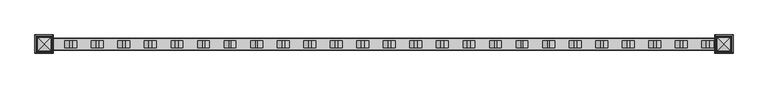
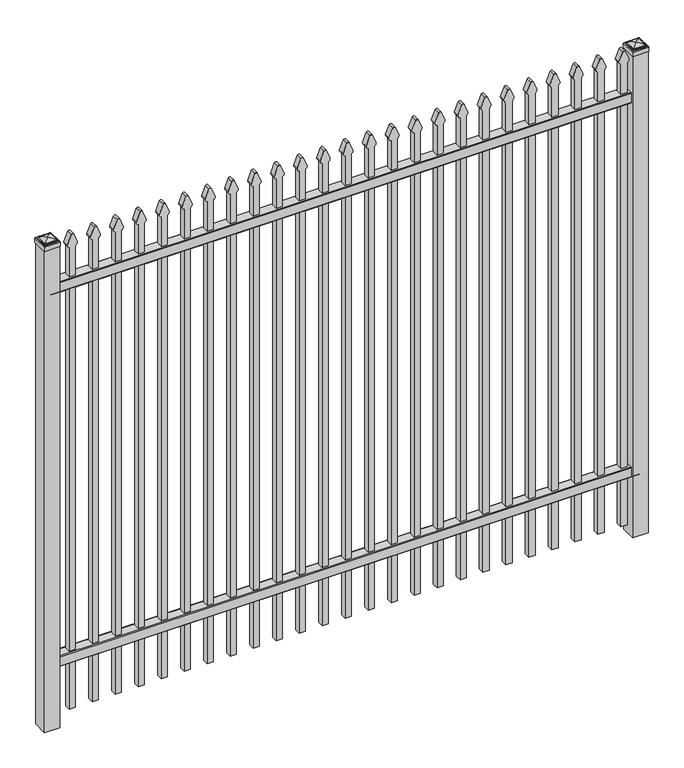
"""IFC4 building model written with IfcOpenShell, lengths in millimetres: railing geometry."""

from ifc_helpers import new_model, si_unit, point, frame, frame_2d, origin, origin_with_axes, place, context, project, spatial, polyline, circle_curve, ellipse_curve, trimmed, segment, composite_curve, outline, extrude, source, transform, mapped, element, save
from ifc_brep_helpers import plane_surface, cylinder_surface, advanced_brep


def railing_8c2183f0(model_context):
    return source(origin(), model_context, "Body", "SolidModel", [
        extrude(outline(composite_curve([segment(polyline([(8825.9139761, 304.8), (8863.969541, 304.8)]), True, "CONTINUOUS"), segment(trimmed(circle_curve(frame_2d((8863.969541, 301.625)), 3.175), [point((8863.969541, 304.8))], [point((8867.144541, 301.625))], False, "CARTESIAN"), True, "CONTINUOUS"), segment(polyline([(8867.144541, 301.625), (8867.144541, 262.1439893)]), True, "CONTINUOUS"), segment(trimmed(circle_curve(frame_2d((8865.3505518, 262.1439893)), 1.7939893), [point((8867.144541, 262.1439893))], [point((8865.3505518, 260.35))], False, "CARTESIAN"), True, "CONTINUOUS"), segment(polyline([(8865.3505518, 260.35), (8862.7590713, 260.35)]), True, "CONTINUOUS"), segment(trimmed(circle_curve(frame_2d((8862.7590713, 262.1359375)), 1.7859375), [point((8862.7590713, 260.35))], [point((8860.9755813, 262.0424688))], False, "CARTESIAN"), True, "CONTINUOUS"), segment(polyline([(8860.9755813, 262.0424688), (8859.4025867, 292.0569942), (8830.4364954, 292.0569942), (8828.8635007, 262.0424688)]), True, "CONTINUOUS"), segment(trimmed(circle_curve(frame_2d((8827.0800108, 262.1359375)), 1.7859375), [point((8828.8635007, 262.0424688))], [point((8827.0800108, 260.35))], False, "CARTESIAN"), True, "CONTINUOUS"), segment(polyline([(8827.0800108, 260.35), (8824.4804785, 260.35)]), True, "CONTINUOUS"), segment(trimmed(circle_curve(frame_2d((8824.4804785, 262.1359375)), 1.7859375), [point((8824.4804785, 260.35))], [point((8822.694541, 262.1359375))], False, "CARTESIAN"), True, "CONTINUOUS"), segment(polyline([(8822.694541, 262.1359375), (8822.694541, 301.5805649)]), True, "CONTINUOUS"), segment(trimmed(circle_curve(frame_2d((8825.9139761, 301.5805649)), 3.2194351), [point((8822.694541, 301.5805649))], [point((8825.9139761, 304.8))], False, "CARTESIAN"), True, "CONTINUOUS")], self_intersect=False)), frame((-33015.4649936, 0.0, 0.0), z_axis=(1.0, 0.0, 0.0), x_axis=(0.0, 1.0, 0.0)), (0.0, 0.0, 1.0), 2438.4),
        extrude(outline(composite_curve([segment(polyline([(8825.9139761, 1944.6875), (8863.969541, 1944.6875)]), True, "CONTINUOUS"), segment(trimmed(circle_curve(frame_2d((8863.969541, 1941.5125)), 3.175), [point((8863.969541, 1944.6875))], [point((8867.144541, 1941.5125))], False, "CARTESIAN"), True, "CONTINUOUS"), segment(polyline([(8867.144541, 1941.5125), (8867.144541, 1902.0314893)]), True, "CONTINUOUS"), segment(trimmed(circle_curve(frame_2d((8865.3505518, 1902.0314893)), 1.7939893), [point((8867.144541, 1902.0314893))], [point((8865.3505518, 1900.2375))], False, "CARTESIAN"), True, "CONTINUOUS"), segment(polyline([(8865.3505518, 1900.2375), (8862.7590713, 1900.2375)]), True, "CONTINUOUS"), segment(trimmed(circle_curve(frame_2d((8862.7590713, 1902.0234375)), 1.7859375), [point((8862.7590713, 1900.2375))], [point((8860.9755813, 1901.9299688))], False, "CARTESIAN"), True, "CONTINUOUS"), segment(polyline([(8860.9755813, 1901.9299688), (8859.4025867, 1931.9444942), (8830.4364954, 1931.9444942), (8828.8635007, 1901.9299688)]), True, "CONTINUOUS"), segment(trimmed(circle_curve(frame_2d((8827.0800108, 1902.0234375)), 1.7859375), [point((8828.8635007, 1901.9299688))], [point((8827.0800108, 1900.2375))], False, "CARTESIAN"), True, "CONTINUOUS"), segment(polyline([(8827.0800108, 1900.2375), (8824.4804785, 1900.2375)]), True, "CONTINUOUS"), segment(trimmed(circle_curve(frame_2d((8824.4804785, 1902.0234375)), 1.7859375), [point((8824.4804785, 1900.2375))], [point((8822.694541, 1902.0234375))], False, "CARTESIAN"), True, "CONTINUOUS"), segment(polyline([(8822.694541, 1902.0234375), (8822.694541, 1941.4680649)]), True, "CONTINUOUS"), segment(trimmed(circle_curve(frame_2d((8825.9139761, 1941.4680649)), 3.2194351), [point((8822.694541, 1941.4680649))], [point((8825.9139761, 1944.6875))], False, "CARTESIAN"), True, "CONTINUOUS")], self_intersect=False)), frame((-33015.4649936, 0.0, 0.0), z_axis=(1.0, 0.0, 0.0), x_axis=(0.0, 1.0, 0.0)), (0.0, 0.0, 1.0), 2438.4),
        extrude(outline(composite_curve([segment(polyline([(2074.2798417, -30646.9149936), (50.8, -30646.9149936), (50.8, -30621.5149936), (2074.0579232, -30621.5149936)]), True, "CONTINUOUS"), segment(trimmed(circle_curve(frame_2d((2092.5299402, -30635.3872336)), 23.1009622), [point((2074.0579232, -30621.5149936))], [point((2087.0676176, -30612.9413545))], False, "CARTESIAN"), True, "CONTINUOUS"), segment(polyline([(2087.0676176, -30612.9413545), (2127.5555225, -30629.2605644)]), True, "CONTINUOUS"), segment(trimmed(circle_curve(frame_2d((2124.4045804, -30634.3905764)), 6.0204202), [point((2127.5555225, -30629.2605644))], [point((2127.5555225, -30639.5205884))], False, "CARTESIAN"), True, "CONTINUOUS"), segment(polyline([(2127.5555225, -30639.5205884), (2088.3339948, -30655.4687724)]), True, "CONTINUOUS"), segment(trimmed(circle_curve(frame_2d((2092.5299402, -30632.7520716)), 23.1009622), [point((2088.3339948, -30655.4687724))], [point((2074.2798417, -30646.9149936))], False, "CARTESIAN"), True, "CONTINUOUS")], self_intersect=False)), frame((0.0, 8832.219541, 0.0), z_axis=(0.0, 1.0, 0.0), x_axis=(0.0, 0.0, 1.0)), (0.0, 0.0, 1.0), 25.4),
        extrude(outline(composite_curve([segment(polyline([(2074.2798417, -30742.1649936), (50.8, -30742.1649936), (50.8, -30716.7649936), (2074.0579232, -30716.7649936)]), True, "CONTINUOUS"), segment(trimmed(circle_curve(frame_2d((2092.5299402, -30730.6372336)), 23.1009622), [point((2074.0579232, -30716.7649936))], [point((2087.0676176, -30708.1913545))], False, "CARTESIAN"), True, "CONTINUOUS"), segment(polyline([(2087.0676176, -30708.1913545), (2127.5555225, -30724.5105644)]), True, "CONTINUOUS"), segment(trimmed(circle_curve(frame_2d((2124.4045804, -30729.6405764)), 6.0204202), [point((2127.5555225, -30724.5105644))], [point((2127.5555225, -30734.7705884))], False, "CARTESIAN"), True, "CONTINUOUS"), segment(polyline([(2127.5555225, -30734.7705884), (2088.3339948, -30750.7187724)]), True, "CONTINUOUS"), segment(trimmed(circle_curve(frame_2d((2092.5299402, -30728.0020716)), 23.1009622), [point((2088.3339948, -30750.7187724))], [point((2074.2798417, -30742.1649936))], False, "CARTESIAN"), True, "CONTINUOUS")], self_intersect=False)), frame((0.0, 8832.219541, 0.0), z_axis=(0.0, 1.0, 0.0), x_axis=(0.0, 0.0, 1.0)), (0.0, 0.0, 1.0), 25.4),
        extrude(outline(composite_curve([segment(polyline([(2074.2798417, -30837.4149936), (50.8, -30837.4149936), (50.8, -30812.0149936), (2074.0579232, -30812.0149936)]), True, "CONTINUOUS"), segment(trimmed(circle_curve(frame_2d((2092.5299402, -30825.8872336)), 23.1009622), [point((2074.0579232, -30812.0149936))], [point((2087.0676176, -30803.4413545))], False, "CARTESIAN"), True, "CONTINUOUS"), segment(polyline([(2087.0676176, -30803.4413545), (2127.5555225, -30819.7605644)]), True, "CONTINUOUS"), segment(trimmed(circle_curve(frame_2d((2124.4045804, -30824.8905764)), 6.0204202), [point((2127.5555225, -30819.7605644))], [point((2127.5555225, -30830.0205884))], False, "CARTESIAN"), True, "CONTINUOUS"), segment(polyline([(2127.5555225, -30830.0205884), (2088.3339948, -30845.9687724)]), True, "CONTINUOUS"), segment(trimmed(circle_curve(frame_2d((2092.5299402, -30823.2520716)), 23.1009622), [point((2088.3339948, -30845.9687724))], [point((2074.2798417, -30837.4149936))], False, "CARTESIAN"), True, "CONTINUOUS")], self_intersect=False)), frame((0.0, 8832.219541, 0.0), z_axis=(0.0, 1.0, 0.0), x_axis=(0.0, 0.0, 1.0)), (0.0, 0.0, 1.0), 25.4),
        extrude(outline(composite_curve([segment(polyline([(2074.2798417, -30932.6649936), (50.8, -30932.6649936), (50.8, -30907.2649936), (2074.0579232, -30907.2649936)]), True, "CONTINUOUS"), segment(trimmed(circle_curve(frame_2d((2092.5299402, -30921.1372336)), 23.1009622), [point((2074.0579232, -30907.2649936))], [point((2087.0676176, -30898.6913545))], False, "CARTESIAN"), True, "CONTINUOUS"), segment(polyline([(2087.0676176, -30898.6913545), (2127.5555225, -30915.0105644)]), True, "CONTINUOUS"), segment(trimmed(circle_curve(frame_2d((2124.4045804, -30920.1405764)), 6.0204202), [point((2127.5555225, -30915.0105644))], [point((2127.5555225, -30925.2705884))], False, "CARTESIAN"), True, "CONTINUOUS"), segment(polyline([(2127.5555225, -30925.2705884), (2088.3339948, -30941.2187724)]), True, "CONTINUOUS"), segment(trimmed(circle_curve(frame_2d((2092.5299402, -30918.5020716)), 23.1009622), [point((2088.3339948, -30941.2187724))], [point((2074.2798417, -30932.6649936))], False, "CARTESIAN"), True, "CONTINUOUS")], self_intersect=False)), frame((0.0, 8832.219541, 0.0), z_axis=(0.0, 1.0, 0.0), x_axis=(0.0, 0.0, 1.0)), (0.0, 0.0, 1.0), 25.4),
        extrude(outline(composite_curve([segment(polyline([(2074.2798417, -31027.9149936), (50.8, -31027.9149936), (50.8, -31002.5149936), (2074.0579232, -31002.5149936)]), True, "CONTINUOUS"), segment(trimmed(circle_curve(frame_2d((2092.5299402, -31016.3872336)), 23.1009622), [point((2074.0579232, -31002.5149936))], [point((2087.0676176, -30993.9413545))], False, "CARTESIAN"), True, "CONTINUOUS"), segment(polyline([(2087.0676176, -30993.9413545), (2127.5555225, -31010.2605644)]), True, "CONTINUOUS"), segment(trimmed(circle_curve(frame_2d((2124.4045804, -31015.3905764)), 6.0204202), [point((2127.5555225, -31010.2605644))], [point((2127.5555225, -31020.5205884))], False, "CARTESIAN"), True, "CONTINUOUS"), segment(polyline([(2127.5555225, -31020.5205884), (2088.3339948, -31036.4687724)]), True, "CONTINUOUS"), segment(trimmed(circle_curve(frame_2d((2092.5299402, -31013.7520716)), 23.1009622), [point((2088.3339948, -31036.4687724))], [point((2074.2798417, -31027.9149936))], False, "CARTESIAN"), True, "CONTINUOUS")], self_intersect=False)), frame((0.0, 8832.219541, 0.0), z_axis=(0.0, 1.0, 0.0), x_axis=(0.0, 0.0, 1.0)), (0.0, 0.0, 1.0), 25.4),
        extrude(outline(composite_curve([segment(polyline([(2074.2798417, -31123.1649936), (50.8, -31123.1649936), (50.8, -31097.7649936), (2074.0579232, -31097.7649936)]), True, "CONTINUOUS"), segment(trimmed(circle_curve(frame_2d((2092.5299402, -31111.6372336)), 23.1009622), [point((2074.0579232, -31097.7649936))], [point((2087.0676176, -31089.1913545))], False, "CARTESIAN"), True, "CONTINUOUS"), segment(polyline([(2087.0676176, -31089.1913545), (2127.5555225, -31105.5105644)]), True, "CONTINUOUS"), segment(trimmed(circle_curve(frame_2d((2124.4045804, -31110.6405764)), 6.0204202), [point((2127.5555225, -31105.5105644))], [point((2127.5555225, -31115.7705884))], False, "CARTESIAN"), True, "CONTINUOUS"), segment(polyline([(2127.5555225, -31115.7705884), (2088.3339948, -31131.7187724)]), True, "CONTINUOUS"), segment(trimmed(circle_curve(frame_2d((2092.5299402, -31109.0020716)), 23.1009622), [point((2088.3339948, -31131.7187724))], [point((2074.2798417, -31123.1649936))], False, "CARTESIAN"), True, "CONTINUOUS")], self_intersect=False)), frame((0.0, 8832.219541, 0.0), z_axis=(0.0, 1.0, 0.0), x_axis=(0.0, 0.0, 1.0)), (0.0, 0.0, 1.0), 25.4),
        extrude(outline(composite_curve([segment(polyline([(2074.2798417, -31218.4149936), (50.8, -31218.4149936), (50.8, -31193.0149936), (2074.0579232, -31193.0149936)]), True, "CONTINUOUS"), segment(trimmed(circle_curve(frame_2d((2092.5299402, -31206.8872336)), 23.1009622), [point((2074.0579232, -31193.0149936))], [point((2087.0676176, -31184.4413545))], False, "CARTESIAN"), True, "CONTINUOUS"), segment(polyline([(2087.0676176, -31184.4413545), (2127.5555225, -31200.7605644)]), True, "CONTINUOUS"), segment(trimmed(circle_curve(frame_2d((2124.4045804, -31205.8905764)), 6.0204202), [point((2127.5555225, -31200.7605644))], [point((2127.5555225, -31211.0205884))], False, "CARTESIAN"), True, "CONTINUOUS"), segment(polyline([(2127.5555225, -31211.0205884), (2088.3339948, -31226.9687724)]), True, "CONTINUOUS"), segment(trimmed(circle_curve(frame_2d((2092.5299402, -31204.2520716)), 23.1009622), [point((2088.3339948, -31226.9687724))], [point((2074.2798417, -31218.4149936))], False, "CARTESIAN"), True, "CONTINUOUS")], self_intersect=False)), frame((0.0, 8832.219541, 0.0), z_axis=(0.0, 1.0, 0.0), x_axis=(0.0, 0.0, 1.0)), (0.0, 0.0, 1.0), 25.4),
        extrude(outline(composite_curve([segment(polyline([(2074.2798417, -31313.6649936), (50.8, -31313.6649936), (50.8, -31288.2649936), (2074.0579232, -31288.2649936)]), True, "CONTINUOUS"), segment(trimmed(circle_curve(frame_2d((2092.5299402, -31302.1372336)), 23.1009622), [point((2074.0579232, -31288.2649936))], [point((2087.0676176, -31279.6913545))], False, "CARTESIAN"), True, "CONTINUOUS"), segment(polyline([(2087.0676176, -31279.6913545), (2127.5555225, -31296.0105644)]), True, "CONTINUOUS"), segment(trimmed(circle_curve(frame_2d((2124.4045804, -31301.1405764)), 6.0204202), [point((2127.5555225, -31296.0105644))], [point((2127.5555225, -31306.2705884))], False, "CARTESIAN"), True, "CONTINUOUS"), segment(polyline([(2127.5555225, -31306.2705884), (2088.3339948, -31322.2187724)]), True, "CONTINUOUS"), segment(trimmed(circle_curve(frame_2d((2092.5299402, -31299.5020716)), 23.1009622), [point((2088.3339948, -31322.2187724))], [point((2074.2798417, -31313.6649936))], False, "CARTESIAN"), True, "CONTINUOUS")], self_intersect=False)), frame((0.0, 8832.219541, 0.0), z_axis=(0.0, 1.0, 0.0), x_axis=(0.0, 0.0, 1.0)), (0.0, 0.0, 1.0), 25.4),
        extrude(outline(composite_curve([segment(polyline([(2074.2798417, -31408.9149936), (50.8, -31408.9149936), (50.8, -31383.5149936), (2074.0579232, -31383.5149936)]), True, "CONTINUOUS"), segment(trimmed(circle_curve(frame_2d((2092.5299402, -31397.3872336)), 23.1009622), [point((2074.0579232, -31383.5149936))], [point((2087.0676176, -31374.9413545))], False, "CARTESIAN"), True, "CONTINUOUS"), segment(polyline([(2087.0676176, -31374.9413545), (2127.5555225, -31391.2605644)]), True, "CONTINUOUS"), segment(trimmed(circle_curve(frame_2d((2124.4045804, -31396.3905764)), 6.0204202), [point((2127.5555225, -31391.2605644))], [point((2127.5555225, -31401.5205884))], False, "CARTESIAN"), True, "CONTINUOUS"), segment(polyline([(2127.5555225, -31401.5205884), (2088.3339948, -31417.4687724)]), True, "CONTINUOUS"), segment(trimmed(circle_curve(frame_2d((2092.5299402, -31394.7520716)), 23.1009622), [point((2088.3339948, -31417.4687724))], [point((2074.2798417, -31408.9149936))], False, "CARTESIAN"), True, "CONTINUOUS")], self_intersect=False)), frame((0.0, 8832.219541, 0.0), z_axis=(0.0, 1.0, 0.0), x_axis=(0.0, 0.0, 1.0)), (0.0, 0.0, 1.0), 25.4),
        extrude(outline(composite_curve([segment(polyline([(2074.2798417, -31504.1649936), (50.8, -31504.1649936), (50.8, -31478.7649936), (2074.0579232, -31478.7649936)]), True, "CONTINUOUS"), segment(trimmed(circle_curve(frame_2d((2092.5299402, -31492.6372336)), 23.1009622), [point((2074.0579232, -31478.7649936))], [point((2087.0676176, -31470.1913545))], False, "CARTESIAN"), True, "CONTINUOUS"), segment(polyline([(2087.0676176, -31470.1913545), (2127.5555225, -31486.5105644)]), True, "CONTINUOUS"), segment(trimmed(circle_curve(frame_2d((2124.4045804, -31491.6405764)), 6.0204202), [point((2127.5555225, -31486.5105644))], [point((2127.5555225, -31496.7705884))], False, "CARTESIAN"), True, "CONTINUOUS"), segment(polyline([(2127.5555225, -31496.7705884), (2088.3339948, -31512.7187724)]), True, "CONTINUOUS"), segment(trimmed(circle_curve(frame_2d((2092.5299402, -31490.0020716)), 23.1009622), [point((2088.3339948, -31512.7187724))], [point((2074.2798417, -31504.1649936))], False, "CARTESIAN"), True, "CONTINUOUS")], self_intersect=False)), frame((0.0, 8832.219541, 0.0), z_axis=(0.0, 1.0, 0.0), x_axis=(0.0, 0.0, 1.0)), (0.0, 0.0, 1.0), 25.4),
        extrude(outline(composite_curve([segment(polyline([(2074.2798417, -31599.4149936), (50.8, -31599.4149936), (50.8, -31574.0149936), (2074.0579232, -31574.0149936)]), True, "CONTINUOUS"), segment(trimmed(circle_curve(frame_2d((2092.5299402, -31587.8872336)), 23.1009622), [point((2074.0579232, -31574.0149936))], [point((2087.0676176, -31565.4413545))], False, "CARTESIAN"), True, "CONTINUOUS"), segment(polyline([(2087.0676176, -31565.4413545), (2127.5555225, -31581.7605644)]), True, "CONTINUOUS"), segment(trimmed(circle_curve(frame_2d((2124.4045804, -31586.8905764)), 6.0204202), [point((2127.5555225, -31581.7605644))], [point((2127.5555225, -31592.0205884))], False, "CARTESIAN"), True, "CONTINUOUS"), segment(polyline([(2127.5555225, -31592.0205884), (2088.3339948, -31607.9687724)]), True, "CONTINUOUS"), segment(trimmed(circle_curve(frame_2d((2092.5299402, -31585.2520716)), 23.1009622), [point((2088.3339948, -31607.9687724))], [point((2074.2798417, -31599.4149936))], False, "CARTESIAN"), True, "CONTINUOUS")], self_intersect=False)), frame((0.0, 8832.219541, 0.0), z_axis=(0.0, 1.0, 0.0), x_axis=(0.0, 0.0, 1.0)), (0.0, 0.0, 1.0), 25.4),
        extrude(outline(composite_curve([segment(polyline([(2074.2798417, -31694.6649936), (50.8, -31694.6649936), (50.8, -31669.2649936), (2074.0579232, -31669.2649936)]), True, "CONTINUOUS"), segment(trimmed(circle_curve(frame_2d((2092.5299402, -31683.1372336)), 23.1009622), [point((2074.0579232, -31669.2649936))], [point((2087.0676176, -31660.6913545))], False, "CARTESIAN"), True, "CONTINUOUS"), segment(polyline([(2087.0676176, -31660.6913545), (2127.5555225, -31677.0105644)]), True, "CONTINUOUS"), segment(trimmed(circle_curve(frame_2d((2124.4045804, -31682.1405764)), 6.0204202), [point((2127.5555225, -31677.0105644))], [point((2127.5555225, -31687.2705884))], False, "CARTESIAN"), True, "CONTINUOUS"), segment(polyline([(2127.5555225, -31687.2705884), (2088.3339948, -31703.2187724)]), True, "CONTINUOUS"), segment(trimmed(circle_curve(frame_2d((2092.5299402, -31680.5020716)), 23.1009622), [point((2088.3339948, -31703.2187724))], [point((2074.2798417, -31694.6649936))], False, "CARTESIAN"), True, "CONTINUOUS")], self_intersect=False)), frame((0.0, 8832.219541, 0.0), z_axis=(0.0, 1.0, 0.0), x_axis=(0.0, 0.0, 1.0)), (0.0, 0.0, 1.0), 25.4),
        extrude(outline(composite_curve([segment(polyline([(2074.2798417, -31789.9149936), (50.8, -31789.9149936), (50.8, -31764.5149936), (2074.0579232, -31764.5149936)]), True, "CONTINUOUS"), segment(trimmed(circle_curve(frame_2d((2092.5299402, -31778.3872336)), 23.1009622), [point((2074.0579232, -31764.5149936))], [point((2087.0676176, -31755.9413545))], False, "CARTESIAN"), True, "CONTINUOUS"), segment(polyline([(2087.0676176, -31755.9413545), (2127.5555225, -31772.2605644)]), True, "CONTINUOUS"), segment(trimmed(circle_curve(frame_2d((2124.4045804, -31777.3905764)), 6.0204202), [point((2127.5555225, -31772.2605644))], [point((2127.5555225, -31782.5205884))], False, "CARTESIAN"), True, "CONTINUOUS"), segment(polyline([(2127.5555225, -31782.5205884), (2088.3339948, -31798.4687724)]), True, "CONTINUOUS"), segment(trimmed(circle_curve(frame_2d((2092.5299402, -31775.7520716)), 23.1009622), [point((2088.3339948, -31798.4687724))], [point((2074.2798417, -31789.9149936))], False, "CARTESIAN"), True, "CONTINUOUS")], self_intersect=False)), frame((0.0, 8832.219541, 0.0), z_axis=(0.0, 1.0, 0.0), x_axis=(0.0, 0.0, 1.0)), (0.0, 0.0, 1.0), 25.4),
        extrude(outline(composite_curve([segment(polyline([(2074.2798417, -31885.1649936), (50.8, -31885.1649936), (50.8, -31859.7649936), (2074.0579232, -31859.7649936)]), True, "CONTINUOUS"), segment(trimmed(circle_curve(frame_2d((2092.5299402, -31873.6372336)), 23.1009622), [point((2074.0579232, -31859.7649936))], [point((2087.0676176, -31851.1913545))], False, "CARTESIAN"), True, "CONTINUOUS"), segment(polyline([(2087.0676176, -31851.1913545), (2127.5555225, -31867.5105644)]), True, "CONTINUOUS"), segment(trimmed(circle_curve(frame_2d((2124.4045804, -31872.6405764)), 6.0204202), [point((2127.5555225, -31867.5105644))], [point((2127.5555225, -31877.7705884))], False, "CARTESIAN"), True, "CONTINUOUS"), segment(polyline([(2127.5555225, -31877.7705884), (2088.3339948, -31893.7187724)]), True, "CONTINUOUS"), segment(trimmed(circle_curve(frame_2d((2092.5299402, -31871.0020716)), 23.1009622), [point((2088.3339948, -31893.7187724))], [point((2074.2798417, -31885.1649936))], False, "CARTESIAN"), True, "CONTINUOUS")], self_intersect=False)), frame((0.0, 8832.219541, 0.0), z_axis=(0.0, 1.0, 0.0), x_axis=(0.0, 0.0, 1.0)), (0.0, 0.0, 1.0), 25.4),
        extrude(outline(composite_curve([segment(polyline([(2074.2798417, -31980.4149936), (50.8, -31980.4149936), (50.8, -31955.0149936), (2074.0579232, -31955.0149936)]), True, "CONTINUOUS"), segment(trimmed(circle_curve(frame_2d((2092.5299402, -31968.8872336)), 23.1009622), [point((2074.0579232, -31955.0149936))], [point((2087.0676176, -31946.4413545))], False, "CARTESIAN"), True, "CONTINUOUS"), segment(polyline([(2087.0676176, -31946.4413545), (2127.5555225, -31962.7605644)]), True, "CONTINUOUS"), segment(trimmed(circle_curve(frame_2d((2124.4045804, -31967.8905764)), 6.0204202), [point((2127.5555225, -31962.7605644))], [point((2127.5555225, -31973.0205884))], False, "CARTESIAN"), True, "CONTINUOUS"), segment(polyline([(2127.5555225, -31973.0205884), (2088.3339948, -31988.9687724)]), True, "CONTINUOUS"), segment(trimmed(circle_curve(frame_2d((2092.5299402, -31966.2520716)), 23.1009622), [point((2088.3339948, -31988.9687724))], [point((2074.2798417, -31980.4149936))], False, "CARTESIAN"), True, "CONTINUOUS")], self_intersect=False)), frame((0.0, 8832.219541, 0.0), z_axis=(0.0, 1.0, 0.0), x_axis=(0.0, 0.0, 1.0)), (0.0, 0.0, 1.0), 25.4),
        extrude(outline(composite_curve([segment(polyline([(2074.2798417, -32075.6649936), (50.8, -32075.6649936), (50.8, -32050.2649936), (2074.0579232, -32050.2649936)]), True, "CONTINUOUS"), segment(trimmed(circle_curve(frame_2d((2092.5299402, -32064.1372336)), 23.1009622), [point((2074.0579232, -32050.2649936))], [point((2087.0676176, -32041.6913545))], False, "CARTESIAN"), True, "CONTINUOUS"), segment(polyline([(2087.0676176, -32041.6913545), (2127.5555225, -32058.0105644)]), True, "CONTINUOUS"), segment(trimmed(circle_curve(frame_2d((2124.4045804, -32063.1405764)), 6.0204202), [point((2127.5555225, -32058.0105644))], [point((2127.5555225, -32068.2705884))], False, "CARTESIAN"), True, "CONTINUOUS"), segment(polyline([(2127.5555225, -32068.2705884), (2088.3339948, -32084.2187724)]), True, "CONTINUOUS"), segment(trimmed(circle_curve(frame_2d((2092.5299402, -32061.5020716)), 23.1009622), [point((2088.3339948, -32084.2187724))], [point((2074.2798417, -32075.6649936))], False, "CARTESIAN"), True, "CONTINUOUS")], self_intersect=False)), frame((0.0, 8832.219541, 0.0), z_axis=(0.0, 1.0, 0.0), x_axis=(0.0, 0.0, 1.0)), (0.0, 0.0, 1.0), 25.4),
        extrude(outline(composite_curve([segment(polyline([(2074.2798417, -32170.9149936), (50.8, -32170.9149936), (50.8, -32145.5149936), (2074.0579232, -32145.5149936)]), True, "CONTINUOUS"), segment(trimmed(circle_curve(frame_2d((2092.5299402, -32159.3872336)), 23.1009622), [point((2074.0579232, -32145.5149936))], [point((2087.0676176, -32136.9413545))], False, "CARTESIAN"), True, "CONTINUOUS"), segment(polyline([(2087.0676176, -32136.9413545), (2127.5555225, -32153.2605644)]), True, "CONTINUOUS"), segment(trimmed(circle_curve(frame_2d((2124.4045804, -32158.3905764)), 6.0204202), [point((2127.5555225, -32153.2605644))], [point((2127.5555225, -32163.5205884))], False, "CARTESIAN"), True, "CONTINUOUS"), segment(polyline([(2127.5555225, -32163.5205884), (2088.3339948, -32179.4687724)]), True, "CONTINUOUS"), segment(trimmed(circle_curve(frame_2d((2092.5299402, -32156.7520716)), 23.1009622), [point((2088.3339948, -32179.4687724))], [point((2074.2798417, -32170.9149936))], False, "CARTESIAN"), True, "CONTINUOUS")], self_intersect=False)), frame((0.0, 8832.219541, 0.0), z_axis=(0.0, 1.0, 0.0), x_axis=(0.0, 0.0, 1.0)), (0.0, 0.0, 1.0), 25.4),
        extrude(outline(composite_curve([segment(polyline([(2074.2798417, -32266.1649936), (50.8, -32266.1649936), (50.8, -32240.7649936), (2074.0579232, -32240.7649936)]), True, "CONTINUOUS"), segment(trimmed(circle_curve(frame_2d((2092.5299402, -32254.6372336)), 23.1009622), [point((2074.0579232, -32240.7649936))], [point((2087.0676176, -32232.1913545))], False, "CARTESIAN"), True, "CONTINUOUS"), segment(polyline([(2087.0676176, -32232.1913545), (2127.5555225, -32248.5105644)]), True, "CONTINUOUS"), segment(trimmed(circle_curve(frame_2d((2124.4045804, -32253.6405764)), 6.0204202), [point((2127.5555225, -32248.5105644))], [point((2127.5555225, -32258.7705884))], False, "CARTESIAN"), True, "CONTINUOUS"), segment(polyline([(2127.5555225, -32258.7705884), (2088.3339948, -32274.7187724)]), True, "CONTINUOUS"), segment(trimmed(circle_curve(frame_2d((2092.5299402, -32252.0020716)), 23.1009622), [point((2088.3339948, -32274.7187724))], [point((2074.2798417, -32266.1649936))], False, "CARTESIAN"), True, "CONTINUOUS")], self_intersect=False)), frame((0.0, 8832.219541, 0.0), z_axis=(0.0, 1.0, 0.0), x_axis=(0.0, 0.0, 1.0)), (0.0, 0.0, 1.0), 25.4),
        extrude(outline(composite_curve([segment(polyline([(2074.2798417, -32361.4149936), (50.8, -32361.4149936), (50.8, -32336.0149936), (2074.0579232, -32336.0149936)]), True, "CONTINUOUS"), segment(trimmed(circle_curve(frame_2d((2092.5299402, -32349.8872336)), 23.1009622), [point((2074.0579232, -32336.0149936))], [point((2087.0676176, -32327.4413545))], False, "CARTESIAN"), True, "CONTINUOUS"), segment(polyline([(2087.0676176, -32327.4413545), (2127.5555225, -32343.7605644)]), True, "CONTINUOUS"), segment(trimmed(circle_curve(frame_2d((2124.4045804, -32348.8905764)), 6.0204202), [point((2127.5555225, -32343.7605644))], [point((2127.5555225, -32354.0205884))], False, "CARTESIAN"), True, "CONTINUOUS"), segment(polyline([(2127.5555225, -32354.0205884), (2088.3339948, -32369.9687724)]), True, "CONTINUOUS"), segment(trimmed(circle_curve(frame_2d((2092.5299402, -32347.2520716)), 23.1009622), [point((2088.3339948, -32369.9687724))], [point((2074.2798417, -32361.4149936))], False, "CARTESIAN"), True, "CONTINUOUS")], self_intersect=False)), frame((0.0, 8832.219541, 0.0), z_axis=(0.0, 1.0, 0.0), x_axis=(0.0, 0.0, 1.0)), (0.0, 0.0, 1.0), 25.4),
        extrude(outline(composite_curve([segment(polyline([(2074.2798417, -32456.6649936), (50.8, -32456.6649936), (50.8, -32431.2649936), (2074.0579232, -32431.2649936)]), True, "CONTINUOUS"), segment(trimmed(circle_curve(frame_2d((2092.5299402, -32445.1372336)), 23.1009622), [point((2074.0579232, -32431.2649936))], [point((2087.0676176, -32422.6913545))], False, "CARTESIAN"), True, "CONTINUOUS"), segment(polyline([(2087.0676176, -32422.6913545), (2127.5555225, -32439.0105644)]), True, "CONTINUOUS"), segment(trimmed(circle_curve(frame_2d((2124.4045804, -32444.1405764)), 6.0204202), [point((2127.5555225, -32439.0105644))], [point((2127.5555225, -32449.2705884))], False, "CARTESIAN"), True, "CONTINUOUS"), segment(polyline([(2127.5555225, -32449.2705884), (2088.3339948, -32465.2187724)]), True, "CONTINUOUS"), segment(trimmed(circle_curve(frame_2d((2092.5299402, -32442.5020716)), 23.1009622), [point((2088.3339948, -32465.2187724))], [point((2074.2798417, -32456.6649936))], False, "CARTESIAN"), True, "CONTINUOUS")], self_intersect=False)), frame((0.0, 8832.219541, 0.0), z_axis=(0.0, 1.0, 0.0), x_axis=(0.0, 0.0, 1.0)), (0.0, 0.0, 1.0), 25.4),
        extrude(outline(composite_curve([segment(polyline([(2074.2798417, -32551.9149936), (50.8, -32551.9149936), (50.8, -32526.5149936), (2074.0579232, -32526.5149936)]), True, "CONTINUOUS"), segment(trimmed(circle_curve(frame_2d((2092.5299402, -32540.3872336)), 23.1009622), [point((2074.0579232, -32526.5149936))], [point((2087.0676176, -32517.9413545))], False, "CARTESIAN"), True, "CONTINUOUS"), segment(polyline([(2087.0676176, -32517.9413545), (2127.5555225, -32534.2605644)]), True, "CONTINUOUS"), segment(trimmed(circle_curve(frame_2d((2124.4045804, -32539.3905764)), 6.0204202), [point((2127.5555225, -32534.2605644))], [point((2127.5555225, -32544.5205884))], False, "CARTESIAN"), True, "CONTINUOUS"), segment(polyline([(2127.5555225, -32544.5205884), (2088.3339948, -32560.4687724)]), True, "CONTINUOUS"), segment(trimmed(circle_curve(frame_2d((2092.5299402, -32537.7520716)), 23.1009622), [point((2088.3339948, -32560.4687724))], [point((2074.2798417, -32551.9149936))], False, "CARTESIAN"), True, "CONTINUOUS")], self_intersect=False)), frame((0.0, 8832.219541, 0.0), z_axis=(0.0, 1.0, 0.0), x_axis=(0.0, 0.0, 1.0)), (0.0, 0.0, 1.0), 25.4),
        extrude(outline(composite_curve([segment(polyline([(2074.2798417, -32647.1649936), (50.8, -32647.1649936), (50.8, -32621.7649936), (2074.0579232, -32621.7649936)]), True, "CONTINUOUS"), segment(trimmed(circle_curve(frame_2d((2092.5299402, -32635.6372336)), 23.1009622), [point((2074.0579232, -32621.7649936))], [point((2087.0676176, -32613.1913545))], False, "CARTESIAN"), True, "CONTINUOUS"), segment(polyline([(2087.0676176, -32613.1913545), (2127.5555225, -32629.5105644)]), True, "CONTINUOUS"), segment(trimmed(circle_curve(frame_2d((2124.4045804, -32634.6405764)), 6.0204202), [point((2127.5555225, -32629.5105644))], [point((2127.5555225, -32639.7705884))], False, "CARTESIAN"), True, "CONTINUOUS"), segment(polyline([(2127.5555225, -32639.7705884), (2088.3339948, -32655.7187724)]), True, "CONTINUOUS"), segment(trimmed(circle_curve(frame_2d((2092.5299402, -32633.0020716)), 23.1009622), [point((2088.3339948, -32655.7187724))], [point((2074.2798417, -32647.1649936))], False, "CARTESIAN"), True, "CONTINUOUS")], self_intersect=False)), frame((0.0, 8832.219541, 0.0), z_axis=(0.0, 1.0, 0.0), x_axis=(0.0, 0.0, 1.0)), (0.0, 0.0, 1.0), 25.4),
        extrude(outline(composite_curve([segment(polyline([(2074.2798417, -32742.4149936), (50.8, -32742.4149936), (50.8, -32717.0149936), (2074.0579232, -32717.0149936)]), True, "CONTINUOUS"), segment(trimmed(circle_curve(frame_2d((2092.5299402, -32730.8872336)), 23.1009622), [point((2074.0579232, -32717.0149936))], [point((2087.0676176, -32708.4413545))], False, "CARTESIAN"), True, "CONTINUOUS"), segment(polyline([(2087.0676176, -32708.4413545), (2127.5555225, -32724.7605644)]), True, "CONTINUOUS"), segment(trimmed(circle_curve(frame_2d((2124.4045804, -32729.8905764)), 6.0204202), [point((2127.5555225, -32724.7605644))], [point((2127.5555225, -32735.0205884))], False, "CARTESIAN"), True, "CONTINUOUS"), segment(polyline([(2127.5555225, -32735.0205884), (2088.3339948, -32750.9687724)]), True, "CONTINUOUS"), segment(trimmed(circle_curve(frame_2d((2092.5299402, -32728.2520716)), 23.1009622), [point((2088.3339948, -32750.9687724))], [point((2074.2798417, -32742.4149936))], False, "CARTESIAN"), True, "CONTINUOUS")], self_intersect=False)), frame((0.0, 8832.219541, 0.0), z_axis=(0.0, 1.0, 0.0), x_axis=(0.0, 0.0, 1.0)), (0.0, 0.0, 1.0), 25.4),
        extrude(outline(composite_curve([segment(polyline([(2074.2798417, -32837.6649936), (50.8, -32837.6649936), (50.8, -32812.2649936), (2074.0579232, -32812.2649936)]), True, "CONTINUOUS"), segment(trimmed(circle_curve(frame_2d((2092.5299402, -32826.1372336)), 23.1009622), [point((2074.0579232, -32812.2649936))], [point((2087.0676176, -32803.6913545))], False, "CARTESIAN"), True, "CONTINUOUS"), segment(polyline([(2087.0676176, -32803.6913545), (2127.5555225, -32820.0105644)]), True, "CONTINUOUS"), segment(trimmed(circle_curve(frame_2d((2124.4045804, -32825.1405764)), 6.0204202), [point((2127.5555225, -32820.0105644))], [point((2127.5555225, -32830.2705884))], False, "CARTESIAN"), True, "CONTINUOUS"), segment(polyline([(2127.5555225, -32830.2705884), (2088.3339948, -32846.2187724)]), True, "CONTINUOUS"), segment(trimmed(circle_curve(frame_2d((2092.5299402, -32823.5020716)), 23.1009622), [point((2088.3339948, -32846.2187724))], [point((2074.2798417, -32837.6649936))], False, "CARTESIAN"), True, "CONTINUOUS")], self_intersect=False)), frame((0.0, 8832.219541, 0.0), z_axis=(0.0, 1.0, 0.0), x_axis=(0.0, 0.0, 1.0)), (0.0, 0.0, 1.0), 25.4),
        extrude(outline(composite_curve([segment(polyline([(2074.2798417, -32932.9149936), (50.8, -32932.9149936), (50.8, -32907.5149936), (2074.0579232, -32907.5149936)]), True, "CONTINUOUS"), segment(trimmed(circle_curve(frame_2d((2092.5299402, -32921.3872336)), 23.1009622), [point((2074.0579232, -32907.5149936))], [point((2087.0676176, -32898.9413545))], False, "CARTESIAN"), True, "CONTINUOUS"), segment(polyline([(2087.0676176, -32898.9413545), (2127.5555225, -32915.2605644)]), True, "CONTINUOUS"), segment(trimmed(circle_curve(frame_2d((2124.4045804, -32920.3905764)), 6.0204202), [point((2127.5555225, -32915.2605644))], [point((2127.5555225, -32925.5205884))], False, "CARTESIAN"), True, "CONTINUOUS"), segment(polyline([(2127.5555225, -32925.5205884), (2088.3339948, -32941.4687724)]), True, "CONTINUOUS"), segment(trimmed(circle_curve(frame_2d((2092.5299402, -32918.7520716)), 23.1009622), [point((2088.3339948, -32941.4687724))], [point((2074.2798417, -32932.9149936))], False, "CARTESIAN"), True, "CONTINUOUS")], self_intersect=False)), frame((0.0, 8832.219541, 0.0), z_axis=(0.0, 1.0, 0.0), x_axis=(0.0, 0.0, 1.0)), (0.0, 0.0, 1.0), 25.4),
        extrude(outline(polyline([(-30545.3149936, 8876.669541), (-30545.3149936, 8813.169541), (-30608.8149936, 8813.169541), (-30608.8149936, 8876.669541), (-30545.3149936, 8876.669541)])), origin_with_axes(), (0.0, 0.0, 1.0), 2109.7875),
        advanced_brep(
        [(-30610.4024936, 8878.257041, 2128.04375), (-30610.4024936, 8878.257041, 2109.7875), (-30610.4024936, 8811.582041, 2109.7875), (-30610.4024936, 8811.582041, 2128.04375), (-30608.0212436, 8875.875791, 2130.425), (-30608.0212436, 8813.963291, 2130.425), (-30605.6399936, 8873.494541, 2132.80625), (-30605.6399936, 8873.494541, 2130.425), (-30605.6399936, 8816.344541, 2130.425), (-30605.6399936, 8816.344541, 2132.80625), (-30603.2587436, 8871.113291, 2135.1875), (-30603.2587436, 8818.725791, 2135.1875), (-30577.0649936, 8844.919541, 2141.5375), (-30600.8774936, 8868.732041, 2135.1875), (-30600.8774936, 8821.107041, 2135.1875), (-30543.7274936, 8811.582041, 2109.7875), (-30543.7274936, 8811.582041, 2128.04375), (-30546.1087436, 8813.963291, 2130.425), (-30548.4899936, 8816.344541, 2130.425), (-30548.4899936, 8816.344541, 2132.80625), (-30550.8712436, 8818.725791, 2135.1875), (-30553.2524936, 8821.107041, 2135.1875), (-30543.7274936, 8878.257041, 2109.7875), (-30543.7274936, 8878.257041, 2128.04375), (-30546.1087436, 8875.875791, 2130.425), (-30548.4899936, 8873.494541, 2130.425), (-30548.4899936, 8873.494541, 2132.80625), (-30550.8712436, 8871.113291, 2135.1875), (-30553.2524936, 8868.732041, 2135.1875)],
        [
            (0, 1),
            (1, 2),
            (2, 3),
            (3, 0),
            (4, 0, ellipse_curve(frame((-30608.0212436, 8875.875791, 2128.04375), z_axis=(-0.70710678118655, -0.7071067811865449, 0.0), x_axis=(-0.7071067811865448, 0.7071067811865501, 0.0)), 3.367596, 2.38125)),
            (3, 5, ellipse_curve(frame((-30608.0212436, 8813.963291, 2128.04375), z_axis=(-0.7071067811865449, 0.70710678118655, 0.0), x_axis=(0.7071067811865499, 0.707106781186545, 0.0)), 3.367596, 2.38125)),
            (5, 4),
            (6, 7),
            (7, 8),
            (8, 9),
            (9, 6),
            (10, 6, ellipse_curve(frame((-30603.2587436, 8871.113291, 2132.80625), z_axis=(-0.70710678118655, -0.7071067811865449, 0.0), x_axis=(-0.7071067811865448, 0.7071067811865501, 0.0)), 3.367596, 2.38125)),
            (9, 11, ellipse_curve(frame((-30603.2587436, 8818.725791, 2132.80625), z_axis=(-0.7071067811865449, 0.70710678118655, 0.0), x_axis=(0.7071067811865499, 0.707106781186545, 0.0)), 3.367596, 2.38125)),
            (11, 10),
            (12, 13, ellipse_curve(frame((-30577.0649936, 8844.919541, 2093.7140625), z_axis=(-0.70710678118655, -0.7071067811865449, 0.0), x_axis=(-0.7071067811865448, 0.7071067811865501, 0.0)), 67.6325539, 47.8234375)),
            (13, 14),
            (14, 12, ellipse_curve(frame((-30577.0649936, 8844.919541, 2093.7140625), z_axis=(-0.7071067811865449, 0.70710678118655, 0.0), x_axis=(0.7071067811865499, 0.707106781186545, 0.0)), 67.6325539, 47.8234375)),
            (2, 15),
            (15, 16),
            (16, 3),
            (16, 17, ellipse_curve(frame((-30546.1087436, 8813.963291, 2128.04375), z_axis=(-0.70710678118655, -0.707106781186545, 0.0), x_axis=(-0.707106781186545, 0.70710678118655, 0.0)), 3.367596, 2.38125)),
            (17, 5),
            (8, 18),
            (18, 19),
            (19, 9),
            (19, 20, ellipse_curve(frame((-30550.8712436, 8818.725791, 2132.80625), z_axis=(-0.70710678118655, -0.707106781186545, 0.0), x_axis=(-0.707106781186545, 0.70710678118655, 0.0)), 3.367596, 2.38125)),
            (20, 11),
            (14, 21),
            (21, 12, ellipse_curve(frame((-30577.0649936, 8844.919541, 2093.7140625), z_axis=(-0.70710678118655, -0.707106781186545, 0.0), x_axis=(-0.707106781186545, 0.70710678118655, 0.0)), 67.6325539, 47.8234375)),
            (15, 22),
            (22, 23),
            (23, 16),
            (23, 24, ellipse_curve(frame((-30546.1087436, 8875.875791, 2128.04375), z_axis=(0.707106781186545, -0.7071067811865499, 0.0), x_axis=(-0.7071067811865497, -0.7071067811865452, 0.0)), 3.367596, 2.38125)),
            (24, 17),
            (18, 25),
            (25, 26),
            (26, 19),
            (26, 27, ellipse_curve(frame((-30550.8712436, 8871.113291, 2132.80625), z_axis=(0.707106781186545, -0.7071067811865499, 0.0), x_axis=(-0.7071067811865497, -0.7071067811865452, 0.0)), 3.367596, 2.38125)),
            (27, 20),
            (21, 28),
            (28, 12, ellipse_curve(frame((-30577.0649936, 8844.919541, 2093.7140625), z_axis=(0.707106781186545, -0.7071067811865499, 0.0), x_axis=(-0.7071067811865497, -0.7071067811865452, 0.0)), 67.6325539, 47.8234375)),
            (22, 1),
            (0, 23),
            (4, 24),
            (7, 25),
            (6, 26),
            (10, 27),
            (13, 28),
        ],
        [
            plane_surface(frame((-30610.4024936, 8878.257041, 2109.7875), z_axis=(-1.0, 0.0, 0.0), x_axis=(0.0, -1.0, 0.0))),
            cylinder_surface(frame((-30608.0212436, 8876.669541, 2128.04375), z_axis=(0.0, 1.0, 0.0), x_axis=(1.0, 0.0, 0.0)), 2.38125),
            plane_surface(frame((-30605.6399936, 8873.494541, 2130.425), z_axis=(-1.0, 0.0, 0.0), x_axis=(0.0, -1.0, 0.0))),
            cylinder_surface(frame((-30603.2587436, 8876.669541, 2132.80625), z_axis=(0.0, 1.0, 0.0), x_axis=(1.0, 0.0, 0.0)), 2.38125),
            cylinder_surface(frame((-30577.0649936, 8876.669541, 2093.7140625), z_axis=(0.0, 1.0, 0.0), x_axis=(1.0, 0.0, 0.0)), 47.8234375),
            plane_surface(frame((-30610.4024936, 8811.582041, 2109.7875), z_axis=(0.0, -1.0, 0.0), x_axis=(1.0, 0.0, 0.0))),
            cylinder_surface(frame((-30608.8149936, 8813.963291, 2128.04375), z_axis=(-1.0, 0.0, 0.0), x_axis=(0.0, 1.0, 0.0)), 2.38125),
            plane_surface(frame((-30605.6399936, 8816.344541, 2130.425), z_axis=(0.0, -1.0, 0.0), x_axis=(1.0, 0.0, 0.0))),
            cylinder_surface(frame((-30608.8149936, 8818.725791, 2132.80625), z_axis=(-1.0, 0.0, 0.0), x_axis=(0.0, 1.0, 0.0)), 2.38125),
            cylinder_surface(frame((-30608.8149936, 8844.919541, 2093.7140625), z_axis=(-1.0, 0.0, 0.0), x_axis=(0.0, 1.0, 0.0)), 47.8234375),
            plane_surface(frame((-30543.7274936, 8811.582041, 2109.7875), z_axis=(1.0, 0.0, 0.0), x_axis=(0.0, 1.0, 0.0))),
            cylinder_surface(frame((-30546.1087436, 8813.169541, 2128.04375), z_axis=(0.0, -1.0, 0.0), x_axis=(-1.0, 0.0, 0.0)), 2.38125),
            plane_surface(frame((-30548.4899936, 8816.344541, 2130.425), z_axis=(1.0, 0.0, 0.0), x_axis=(0.0, 1.0, 0.0))),
            cylinder_surface(frame((-30550.8712436, 8813.169541, 2132.80625), z_axis=(0.0, -1.0, 0.0), x_axis=(-1.0, 0.0, 0.0)), 2.38125),
            cylinder_surface(frame((-30577.0649936, 8813.169541, 2093.7140625), z_axis=(0.0, -1.0, 0.0), x_axis=(-1.0, 0.0, 0.0)), 47.8234375),
            plane_surface(frame((-30543.7274936, 8878.257041, 2109.7875), z_axis=(0.0, 1.0, 0.0), x_axis=(-1.0, 0.0, 0.0))),
            cylinder_surface(frame((-30545.3149936, 8875.875791, 2128.04375), z_axis=(1.0, 0.0, 0.0), x_axis=(0.0, -1.0, 0.0)), 2.38125),
            plane_surface(frame((-30546.1087436, 8875.875791, 2130.425), z_axis=(0.0, 0.0, 1.0), x_axis=(-1.0, 0.0, 0.0))),
            plane_surface(frame((-30548.4899936, 8873.494541, 2130.425), z_axis=(0.0, 1.0, 0.0), x_axis=(-1.0, 0.0, 0.0))),
            cylinder_surface(frame((-30545.3149936, 8871.113291, 2132.80625), z_axis=(1.0, 0.0, 0.0), x_axis=(0.0, -1.0, 0.0)), 2.38125),
            plane_surface(frame((-30550.8712436, 8871.113291, 2135.1875), z_axis=(0.0, 0.0, 1.0), x_axis=(-1.0, 0.0, 0.0))),
            cylinder_surface(frame((-30545.3149936, 8844.919541, 2093.7140625), z_axis=(1.0, 0.0, 0.0), x_axis=(0.0, -1.0, 0.0)), 47.8234375),
            plane_surface(frame((-30577.0649936, 8844.919541, 2109.7875), z_axis=(0.0, 0.0, -1.0), x_axis=(-1.0, 0.0, 0.0))),
        ],
        [
            (0, [[1, 2, 3, 4]]),
            (1, [[5, -4, 6, 7]]),
            (2, [[8, 9, 10, 11]]),
            (3, [[12, -11, 13, 14]]),
            (4, [[15, 16, 17]]),
            (5, [[-3, 18, 19, 20]]),
            (6, [[-6, -20, 21, 22]]),
            (7, [[-10, 23, 24, 25]]),
            (8, [[-13, -25, 26, 27]]),
            (9, [[-17, 28, 29]]),
            (10, [[-19, 30, 31, 32]]),
            (11, [[-21, -32, 33, 34]]),
            (12, [[-24, 35, 36, 37]]),
            (13, [[-26, -37, 38, 39]]),
            (14, [[-29, 40, 41]]),
            (15, [[-31, 42, -1, 43]]),
            (16, [[-33, -43, -5, 44]]),
            (17, [[-22, -34, -44, -7], [45, -35, -23, -9]]),
            (18, [[-36, -45, -8, 46]]),
            (19, [[-38, -46, -12, 47]]),
            (20, [[-27, -39, -47, -14], [48, -40, -28, -16]]),
            (21, [[-41, -48, -15]]),
            (22, [[-42, -30, -18, -2]]),
        ],
    ),
        extrude(outline(polyline([(-32983.7149936, 8876.669541), (-32983.7149936, 8813.169541), (-33047.2149936, 8813.169541), (-33047.2149936, 8876.669541), (-32983.7149936, 8876.669541)])), origin_with_axes(), (0.0, 0.0, 1.0), 2109.7875),
        advanced_brep(
        [(-33048.8024936, 8878.257041, 2128.04375), (-33048.8024936, 8878.257041, 2109.7875), (-33048.8024936, 8811.582041, 2109.7875), (-33048.8024936, 8811.582041, 2128.04375), (-33046.4212436, 8875.875791, 2130.425), (-33046.4212436, 8813.963291, 2130.425), (-33044.0399936, 8873.494541, 2132.80625), (-33044.0399936, 8873.494541, 2130.425), (-33044.0399936, 8816.344541, 2130.425), (-33044.0399936, 8816.344541, 2132.80625), (-33041.6587436, 8871.113291, 2135.1875), (-33041.6587436, 8818.725791, 2135.1875), (-33015.4649936, 8844.919541, 2141.5375), (-33039.2774936, 8868.732041, 2135.1875), (-33039.2774936, 8821.107041, 2135.1875), (-32982.1274936, 8811.582041, 2109.7875), (-32982.1274936, 8811.582041, 2128.04375), (-32984.5087436, 8813.963291, 2130.425), (-32986.8899936, 8816.344541, 2130.425), (-32986.8899936, 8816.344541, 2132.80625), (-32989.2712436, 8818.725791, 2135.1875), (-32991.6524936, 8821.107041, 2135.1875), (-32982.1274936, 8878.257041, 2109.7875), (-32982.1274936, 8878.257041, 2128.04375), (-32984.5087436, 8875.875791, 2130.425), (-32986.8899936, 8873.494541, 2130.425), (-32986.8899936, 8873.494541, 2132.80625), (-32989.2712436, 8871.113291, 2135.1875), (-32991.6524936, 8868.732041, 2135.1875)],
        [
            (0, 1),
            (1, 2),
            (2, 3),
            (3, 0),
            (4, 0, ellipse_curve(frame((-33046.4212436, 8875.875791, 2128.04375), z_axis=(-0.70710678118655, -0.7071067811865449, 0.0), x_axis=(-0.7071067811865448, 0.7071067811865501, 0.0)), 3.367596, 2.38125)),
            (3, 5, ellipse_curve(frame((-33046.4212436, 8813.963291, 2128.04375), z_axis=(-0.7071067811865449, 0.70710678118655, 0.0), x_axis=(0.7071067811865499, 0.707106781186545, 0.0)), 3.367596, 2.38125)),
            (5, 4),
            (6, 7),
            (7, 8),
            (8, 9),
            (9, 6),
            (10, 6, ellipse_curve(frame((-33041.6587436, 8871.113291, 2132.80625), z_axis=(-0.70710678118655, -0.7071067811865449, 0.0), x_axis=(-0.7071067811865448, 0.7071067811865501, 0.0)), 3.367596, 2.38125)),
            (9, 11, ellipse_curve(frame((-33041.6587436, 8818.725791, 2132.80625), z_axis=(-0.7071067811865449, 0.70710678118655, 0.0), x_axis=(0.7071067811865499, 0.707106781186545, 0.0)), 3.367596, 2.38125)),
            (11, 10),
            (12, 13, ellipse_curve(frame((-33015.4649936, 8844.919541, 2093.7140625), z_axis=(-0.70710678118655, -0.7071067811865449, 0.0), x_axis=(-0.7071067811865448, 0.7071067811865501, 0.0)), 67.6325539, 47.8234375)),
            (13, 14),
            (14, 12, ellipse_curve(frame((-33015.4649936, 8844.919541, 2093.7140625), z_axis=(-0.7071067811865449, 0.70710678118655, 0.0), x_axis=(0.7071067811865499, 0.707106781186545, 0.0)), 67.6325539, 47.8234375)),
            (2, 15),
            (15, 16),
            (16, 3),
            (16, 17, ellipse_curve(frame((-32984.5087436, 8813.963291, 2128.04375), z_axis=(-0.70710678118655, -0.707106781186545, 0.0), x_axis=(-0.707106781186545, 0.70710678118655, 0.0)), 3.367596, 2.38125)),
            (17, 5),
            (8, 18),
            (18, 19),
            (19, 9),
            (19, 20, ellipse_curve(frame((-32989.2712436, 8818.725791, 2132.80625), z_axis=(-0.70710678118655, -0.707106781186545, 0.0), x_axis=(-0.707106781186545, 0.70710678118655, 0.0)), 3.367596, 2.38125)),
            (20, 11),
            (14, 21),
            (21, 12, ellipse_curve(frame((-33015.4649936, 8844.919541, 2093.7140625), z_axis=(-0.70710678118655, -0.707106781186545, 0.0), x_axis=(-0.707106781186545, 0.70710678118655, 0.0)), 67.6325539, 47.8234375)),
            (15, 22),
            (22, 23),
            (23, 16),
            (23, 24, ellipse_curve(frame((-32984.5087436, 8875.875791, 2128.04375), z_axis=(0.707106781186545, -0.7071067811865499, 0.0), x_axis=(-0.7071067811865497, -0.7071067811865452, 0.0)), 3.367596, 2.38125)),
            (24, 17),
            (18, 25),
            (25, 26),
            (26, 19),
            (26, 27, ellipse_curve(frame((-32989.2712436, 8871.113291, 2132.80625), z_axis=(0.707106781186545, -0.7071067811865499, 0.0), x_axis=(-0.7071067811865497, -0.7071067811865452, 0.0)), 3.367596, 2.38125)),
            (27, 20),
            (21, 28),
            (28, 12, ellipse_curve(frame((-33015.4649936, 8844.919541, 2093.7140625), z_axis=(0.707106781186545, -0.7071067811865499, 0.0), x_axis=(-0.7071067811865497, -0.7071067811865452, 0.0)), 67.6325539, 47.8234375)),
            (22, 1),
            (0, 23),
            (4, 24),
            (7, 25),
            (6, 26),
            (10, 27),
            (13, 28),
        ],
        [
            plane_surface(frame((-33048.8024936, 8878.257041, 2109.7875), z_axis=(-1.0, 0.0, 0.0), x_axis=(0.0, -1.0, 0.0))),
            cylinder_surface(frame((-33046.4212436, 8876.669541, 2128.04375), z_axis=(0.0, 1.0, 0.0), x_axis=(1.0, 0.0, 0.0)), 2.38125),
            plane_surface(frame((-33044.0399936, 8873.494541, 2130.425), z_axis=(-1.0, 0.0, 0.0), x_axis=(0.0, -1.0, 0.0))),
            cylinder_surface(frame((-33041.6587436, 8876.669541, 2132.80625), z_axis=(0.0, 1.0, 0.0), x_axis=(1.0, 0.0, 0.0)), 2.38125),
            cylinder_surface(frame((-33015.4649936, 8876.669541, 2093.7140625), z_axis=(0.0, 1.0, 0.0), x_axis=(1.0, 0.0, 0.0)), 47.8234375),
            plane_surface(frame((-33048.8024936, 8811.582041, 2109.7875), z_axis=(0.0, -1.0, 0.0), x_axis=(1.0, 0.0, 0.0))),
            cylinder_surface(frame((-33047.2149936, 8813.963291, 2128.04375), z_axis=(-1.0, 0.0, 0.0), x_axis=(0.0, 1.0, 0.0)), 2.38125),
            plane_surface(frame((-33044.0399936, 8816.344541, 2130.425), z_axis=(0.0, -1.0, 0.0), x_axis=(1.0, 0.0, 0.0))),
            cylinder_surface(frame((-33047.2149936, 8818.725791, 2132.80625), z_axis=(-1.0, 0.0, 0.0), x_axis=(0.0, 1.0, 0.0)), 2.38125),
            cylinder_surface(frame((-33047.2149936, 8844.919541, 2093.7140625), z_axis=(-1.0, 0.0, 0.0), x_axis=(0.0, 1.0, 0.0)), 47.8234375),
            plane_surface(frame((-32982.1274936, 8811.582041, 2109.7875), z_axis=(1.0, 0.0, 0.0), x_axis=(0.0, 1.0, 0.0))),
            cylinder_surface(frame((-32984.5087436, 8813.169541, 2128.04375), z_axis=(0.0, -1.0, 0.0), x_axis=(-1.0, 0.0, 0.0)), 2.38125),
            plane_surface(frame((-32986.8899936, 8816.344541, 2130.425), z_axis=(1.0, 0.0, 0.0), x_axis=(0.0, 1.0, 0.0))),
            cylinder_surface(frame((-32989.2712436, 8813.169541, 2132.80625), z_axis=(0.0, -1.0, 0.0), x_axis=(-1.0, 0.0, 0.0)), 2.38125),
            cylinder_surface(frame((-33015.4649936, 8813.169541, 2093.7140625), z_axis=(0.0, -1.0, 0.0), x_axis=(-1.0, 0.0, 0.0)), 47.8234375),
            plane_surface(frame((-32982.1274936, 8878.257041, 2109.7875), z_axis=(0.0, 1.0, 0.0), x_axis=(-1.0, 0.0, 0.0))),
            cylinder_surface(frame((-32983.7149936, 8875.875791, 2128.04375), z_axis=(1.0, 0.0, 0.0), x_axis=(0.0, -1.0, 0.0)), 2.38125),
            plane_surface(frame((-32984.5087436, 8875.875791, 2130.425), z_axis=(0.0, 0.0, 1.0), x_axis=(-1.0, 0.0, 0.0))),
            plane_surface(frame((-32986.8899936, 8873.494541, 2130.425), z_axis=(0.0, 1.0, 0.0), x_axis=(-1.0, 0.0, 0.0))),
            cylinder_surface(frame((-32983.7149936, 8871.113291, 2132.80625), z_axis=(1.0, 0.0, 0.0), x_axis=(0.0, -1.0, 0.0)), 2.38125),
            plane_surface(frame((-32989.2712436, 8871.113291, 2135.1875), z_axis=(0.0, 0.0, 1.0), x_axis=(-1.0, 0.0, 0.0))),
            cylinder_surface(frame((-32983.7149936, 8844.919541, 2093.7140625), z_axis=(1.0, 0.0, 0.0), x_axis=(0.0, -1.0, 0.0)), 47.8234375),
            plane_surface(frame((-33015.4649936, 8844.919541, 2109.7875), z_axis=(0.0, 0.0, -1.0), x_axis=(-1.0, 0.0, 0.0))),
        ],
        [
            (0, [[1, 2, 3, 4]]),
            (1, [[5, -4, 6, 7]]),
            (2, [[8, 9, 10, 11]]),
            (3, [[12, -11, 13, 14]]),
            (4, [[15, 16, 17]]),
            (5, [[-3, 18, 19, 20]]),
            (6, [[-6, -20, 21, 22]]),
            (7, [[-10, 23, 24, 25]]),
            (8, [[-13, -25, 26, 27]]),
            (9, [[-17, 28, 29]]),
            (10, [[-19, 30, 31, 32]]),
            (11, [[-21, -32, 33, 34]]),
            (12, [[-24, 35, 36, 37]]),
            (13, [[-26, -37, 38, 39]]),
            (14, [[-29, 40, 41]]),
            (15, [[-31, 42, -1, 43]]),
            (16, [[-33, -43, -5, 44]]),
            (17, [[-22, -34, -44, -7], [45, -35, -23, -9]]),
            (18, [[-36, -45, -8, 46]]),
            (19, [[-38, -46, -12, 47]]),
            (20, [[-27, -39, -47, -14], [48, -40, -28, -16]]),
            (21, [[-41, -48, -15]]),
            (22, [[-42, -30, -18, -2]]),
        ],
    ),
    ])


if __name__ == "__main__":
    model = new_model("IFC4")
    model_context = context("Model", 3, world=origin())
    ifc_project = project(units=[si_unit("LENGTHUNIT", "METRE", prefix="MILLI")], contexts=[model_context])
    site = spatial("IfcSite", under=ifc_project)
    building = spatial("IfcBuilding", under=site)
    placement = place(None, origin())
    railing_shape = railing_8c2183f0(model_context)
    element("IfcRailing", 1, at=placement, inside=building, context=model_context, shape_type="MappedRepresentation", body=[
        mapped(railing_shape, transform((0.0, 0.0, 0.0), x_axis=(1.0, 0.0, 0.0), y_axis=(0.0, 1.0, 0.0), z_axis=(0.0, 0.0, 1.0))),
    ])
    save(model, "model.ifc")
